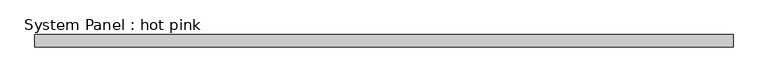
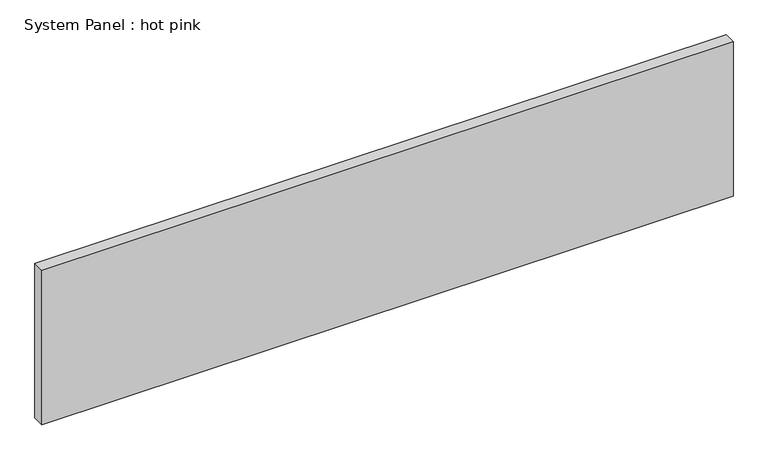
"""IFC4 building model written with IfcOpenShell, lengths in millimetres: plate geometry, System Panel : hot pink."""

from ifc_helpers import new_model, si_unit, origin, origin_with_axes, place, context, project, spatial, polyline, outline, extrude, source, transform, mapped, element, save


def system_panel_hot_pink_c5c31e4b(model_context):
    return source(origin(), model_context, "Body", "SweptSolid", [
        extrude(outline(polyline([(1800.6631044, -19.05), (-1800.6631044, -19.05), (-1800.6631044, 44.45), (1800.6631044, 44.45), (1800.6631044, -19.05)])), origin_with_axes(), (0.0, 0.0, 1.0), 850.9),
    ])


if __name__ == "__main__":
    model = new_model("IFC4")
    model_context = context("Model", 3, world=origin())
    ifc_project = project(units=[si_unit("LENGTHUNIT", "METRE", prefix="MILLI")], contexts=[model_context])
    site = spatial("IfcSite", under=ifc_project)
    building = spatial("IfcBuilding", under=site)
    placement = place(None, origin())
    system_panel_hot_pink_shape = system_panel_hot_pink_c5c31e4b(model_context)
    element("IfcPlate", 1, ObjectType="System Panel : hot pink", at=placement, inside=building, context=model_context, shape_type="MappedRepresentation", body=[
        mapped(system_panel_hot_pink_shape, transform((0.0, 0.0, 0.0), x_axis=(1.0, 0.0, 0.0), y_axis=(0.0, 1.0, 0.0), z_axis=(0.0, 0.0, 1.0))),
    ])
    save(model, "model.ifc")
